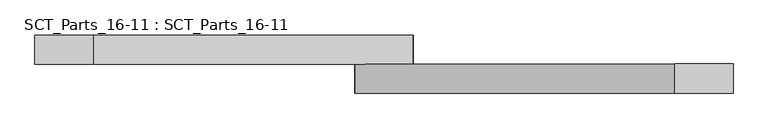
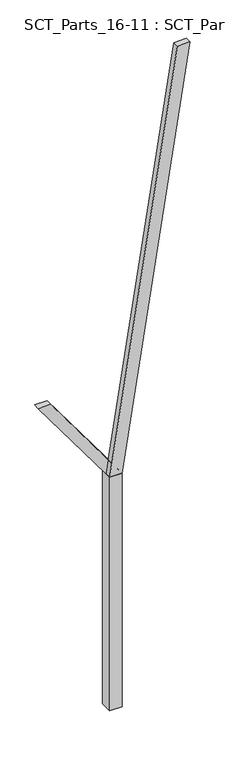
"""IFC4 building model written with IfcOpenShell, lengths in millimetres: proxy geometry, SCT_Parts_16-11 : SCT_Parts_16-11."""

import ifcopenshell
import ifcopenshell.guid

model = None  # the IFC model being written
_history = None  # IfcOwnerHistory: only IFC2X3 demands one
_inside = {}  # id of a spatial element -> (the spatial element, [elements in it])
_under = {}  # id of a project, library or spatial element -> (it, [spatial elements below it])
_declared = {}  # id of a project -> (the project, [libraries it declares])
_typed = {}  # id of a type object -> (the type object, [elements of that type])
_made_of = {}  # id of a material, layer set ... -> (it, [elements and type objects made of it])


def new_model(schema):
    """Start an empty IFC model of exactly this schema.

    Asked for "IFC4X3", IfcOpenShell would pick the latest addendum, in which some entities
    have other attributes; the version numbers below select the first issue.
    IFC2X3 requires an IfcOwnerHistory on every rooted entity: one is made here for all.
    """
    global model, _history
    if schema == "IFC4X3":
        model = ifcopenshell.file(schema_version=(4, 3, 0, 0))
    else:
        model = ifcopenshell.file(schema=schema)
    _inside.clear()
    _under.clear()
    _declared.clear()
    _typed.clear()
    _made_of.clear()
    _history = None
    if model.schema == "IFC2X3":
        org = make("IfcOrganization", Name="unknown")
        user = make(
            "IfcPersonAndOrganization",
            ThePerson=make("IfcPerson", FamilyName="unknown"),
            TheOrganization=org,
        )
        app = make(
            "IfcApplication",
            ApplicationDeveloper=org,
            Version="unknown",
            ApplicationFullName="unknown",
            ApplicationIdentifier="unknown",
        )
        _history = make(
            "IfcOwnerHistory",
            OwningUser=user,
            OwningApplication=app,
            ChangeAction="ADDED",
            CreationDate=0,
        )
    return model


def make(cls, **values):
    """One entity of the class cls with the attributes given. An attribute that is None is left unset."""
    return model.create_entity(
        cls, **{name: value for name, value in values.items() if value is not None}
    )


def rooted(cls, **values):
    """An entity with a GlobalId (a new one), such as an element, a storey or a relation."""
    return make(cls, GlobalId=ifcopenshell.guid.new(), OwnerHistory=_history, **values)


def si_unit(unit_type, name, prefix=None):
    """IfcSIUnit, for example si_unit("LENGTHUNIT", "METRE", prefix="MILLI")."""
    return make("IfcSIUnit", UnitType=unit_type, Prefix=prefix, Name=name)


def assignment(units):
    """IfcUnitAssignment: the units of a project."""
    return None if units is None else make("IfcUnitAssignment", Units=units)


def point(xyz):
    """IfcCartesianPoint."""
    return None if xyz is None else make("IfcCartesianPoint", Coordinates=xyz)


def direction(xyz):
    """IfcDirection."""
    return None if xyz is None else make("IfcDirection", DirectionRatios=xyz)


def frame(location, z_axis=None, x_axis=None):
    """IfcAxis2Placement3D, a coordinate frame: its origin and axes. An axis left out is left unset."""
    return make(
        "IfcAxis2Placement3D",
        Location=point(location),
        Axis=direction(z_axis),
        RefDirection=direction(x_axis),
    )


def origin():
    """The frame at (0, 0, 0) with its axes left unset."""
    return frame((0.0, 0.0, 0.0))


def origin_with_axes():
    """The frame at (0, 0, 0) with the z axis (0, 0, 1) and the x axis (1, 0, 0) written out."""
    return frame((0.0, 0.0, 0.0), z_axis=(0.0, 0.0, 1.0), x_axis=(1.0, 0.0, 0.0))


def place(relative_to, where):
    """IfcLocalPlacement: puts the frame where relative to a parent placement (None: the world)."""
    return make(
        "IfcLocalPlacement", PlacementRelTo=relative_to, RelativePlacement=where
    )


def context(
    kind, dimensions, precision=None, world=None, true_north=None, identifier=None
):
    """IfcGeometricRepresentationContext, for example the 3D "Model" context."""
    return make(
        "IfcGeometricRepresentationContext",
        ContextIdentifier=identifier,
        ContextType=kind,
        CoordinateSpaceDimension=dimensions,
        Precision=precision,
        WorldCoordinateSystem=world,
        TrueNorth=true_north,
    )


def project(units=None, contexts=None):
    """IfcProject with its units and contexts."""
    return rooted(
        "IfcProject",
        Name="project",
        RepresentationContexts=contexts,
        UnitsInContext=assignment(units),
    )


def spatial(cls, under=None, at=None, **own):
    """A site, building, storey or space (cls), placed at a placement, below another one or the project."""
    s = rooted(cls, ObjectPlacement=at, **own)
    if under is not None:
        _under.setdefault(under.id(), (under, []))[1].append(s)
    return s


def polyline(points):
    """IfcPolyline through the points."""
    return make("IfcPolyline", Points=[point(p) for p in points])


def outline(outer, holes=None, kind="AREA"):
    """IfcArbitraryClosedProfileDef: a profile drawn as a closed curve; with holes, ...WithVoids."""
    if holes is None:
        return make("IfcArbitraryClosedProfileDef", ProfileType=kind, OuterCurve=outer)
    return make(
        "IfcArbitraryProfileDefWithVoids",
        ProfileType=kind,
        OuterCurve=outer,
        InnerCurves=holes,
    )


def extrude(swept, where, along, depth):
    """IfcExtrudedAreaSolid: the profile swept, set in the frame where, extruded along a direction by depth."""
    return make(
        "IfcExtrudedAreaSolid",
        SweptArea=swept,
        Position=where,
        ExtrudedDirection=direction(along),
        Depth=depth,
    )


def shape(context_of_items, identifier, shape_type, items):
    """IfcShapeRepresentation: the items that make up one representation, for example the "Body"."""
    return make(
        "IfcShapeRepresentation",
        ContextOfItems=context_of_items,
        RepresentationIdentifier=identifier,
        RepresentationType=shape_type,
        Items=items,
    )


def source(mapping_origin, context_of_items, identifier, shape_type, items):
    """IfcRepresentationMap: a shape defined once, which mapped items show again and again."""
    return make(
        "IfcRepresentationMap",
        MappingOrigin=mapping_origin,
        MappedRepresentation=shape(context_of_items, identifier, shape_type, items),
    )


def transform(
    local_origin,
    x_axis=None,
    y_axis=None,
    z_axis=None,
    scale=None,
    scale2=None,
    scale3=None,
    uniform=True,
):
    """IfcCartesianTransformationOperator3D, or its non-uniform kind. x_axis, y_axis, z_axis: its Axis1, 2, 3."""
    if uniform:
        return make(
            "IfcCartesianTransformationOperator3D",
            Axis1=direction(x_axis),
            Axis2=direction(y_axis),
            LocalOrigin=point(local_origin),
            Scale=scale,
            Axis3=direction(z_axis),
        )
    return make(
        "IfcCartesianTransformationOperator3DnonUniform",
        Axis1=direction(x_axis),
        Axis2=direction(y_axis),
        LocalOrigin=point(local_origin),
        Scale=scale,
        Axis3=direction(z_axis),
        Scale2=scale2,
        Scale3=scale3,
    )


def mapped(mapping_source, mapping_target):
    """IfcMappedItem: shows the shape of a source again, moved by a transform."""
    return make(
        "IfcMappedItem", MappingSource=mapping_source, MappingTarget=mapping_target
    )


def made_of(thing, what):
    """Note that an element or type object is made of a material, layer set ...; save() writes the relation."""
    if what is not None:
        _made_of.setdefault(what.id(), (what, []))[1].append(thing)
    return thing


def element(
    cls,
    number,
    at=None,
    inside=None,
    cuts=None,
    type_object=None,
    material=None,
    context=None,
    identifier="Body",
    shape_type=None,
    held_by="IfcProductDefinitionShape",
    body=None,
    shapes=None,
    **own,
):
    """One element of the class cls, such as IfcWall. Its Tag is "e" and its number.

    at: its placement. inside: the storey or other place that contains it. cuts: it is an
    opening in that element (IfcRelVoidsElement). A single representation is given by context,
    identifier, shape_type and body (its items); several are given by shapes. held_by: the class
    of the entity that holds the representations. save() writes the other relations.
    """
    e = rooted(cls, Tag="e%d" % number, ObjectPlacement=at, **own)
    if body is not None:
        shapes = [shape(context, identifier, shape_type, body)]
    if shapes is not None:
        e.Representation = make(held_by, Representations=shapes)
    if inside is not None:
        _inside.setdefault(inside.id(), (inside, []))[1].append(e)
    if cuts is not None:
        rooted(
            "IfcRelVoidsElement", RelatingBuildingElement=cuts, RelatedOpeningElement=e
        )
    if type_object is not None:
        _typed.setdefault(type_object.id(), (type_object, []))[1].append(e)
    return made_of(e, material)


def aggregate(whole, parts):
    """IfcRelAggregates: a whole, such as a stair, and the parts it consists of."""
    return rooted("IfcRelAggregates", RelatingObject=whole, RelatedObjects=parts)


def save(model, path):
    """Write the relations noted so far, then the file.

    IfcRelAggregates (storeys below a building ...), IfcRelContainedInSpatialStructure (elements
    in a storey), IfcRelDefinesByType, IfcRelAssociatesMaterial and IfcRelDeclares: one each for
    every whole, place, type object, material and project.
    """
    for whole, parts in _under.values():
        aggregate(whole, parts)
    for where, things in _inside.values():
        rooted(
            "IfcRelContainedInSpatialStructure",
            RelatedElements=things,
            RelatingStructure=where,
        )
    for kind, things in _typed.values():
        rooted("IfcRelDefinesByType", RelatedObjects=things, RelatingType=kind)
    for what, things in _made_of.values():
        rooted("IfcRelAssociatesMaterial", RelatedObjects=things, RelatingMaterial=what)
    for by, libraries in _declared.values():
        rooted("IfcRelDeclares", RelatingContext=by, RelatedDefinitions=libraries)
    model.write(path)


def sct_parts_16_11_sct_parts_16_11_e6bc711e(model_context):
    return source(origin(), model_context, "Body", "SweptSolid", [
        extrude(outline(polyline([(4000.0, 200.0), (11000.0, 1300.0), (11000.0, 1100.0), (4000.0, 0.0), (4000.0, 200.0)])), frame((0.0, -200.0, 0.0), z_axis=(0.0, 1.0, 0.0), x_axis=(0.0, 0.0, 1.0)), (0.0, 0.0, 1.0), 100.0),
        extrude(outline(polyline([(4000.0, 0.0), (4000.0, 200.0), (5500.0, -900.0), (5500.0, -1100.0), (4000.0, 0.0)])), frame((0.0, -100.0, 0.0), z_axis=(0.0, 1.0, 0.0), x_axis=(0.0, 0.0, 1.0)), (0.0, 0.0, 1.0), 100.0),
        extrude(outline(polyline([(200.0, -200.0), (0.0, -200.0), (0.0, 0.0), (200.0, 0.0), (200.0, -200.0)])), origin_with_axes(), (0.0, 0.0, 1.0), 4000.0),
    ])


if __name__ == "__main__":
    model = new_model("IFC4")
    model_context = context("Model", 3, world=origin())
    ifc_project = project(units=[si_unit("LENGTHUNIT", "METRE", prefix="MILLI")], contexts=[model_context])
    site = spatial("IfcSite", under=ifc_project)
    building = spatial("IfcBuilding", under=site)
    placement = place(None, origin())
    sct_parts_16_11_sct_parts_16_11_shape = sct_parts_16_11_sct_parts_16_11_e6bc711e(model_context)
    element("IfcBuildingElementProxy", 1, Name="SCT_Parts_16-11 : SCT_Parts_16-11", ObjectType="SCT_Parts_16-11 : SCT_Parts_16-11", at=placement, inside=building, context=model_context, shape_type="MappedRepresentation", body=[
        mapped(sct_parts_16_11_sct_parts_16_11_shape, transform((0.0, 0.0, 0.0), x_axis=(1.0, 0.0, 0.0), y_axis=(0.0, 1.0, 0.0), z_axis=(0.0, 0.0, 1.0))),
    ])
    save(model, "model.ifc")
